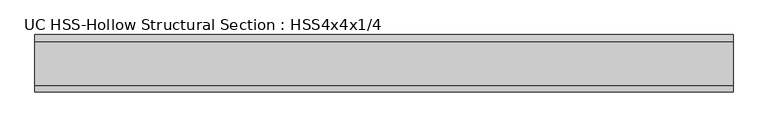
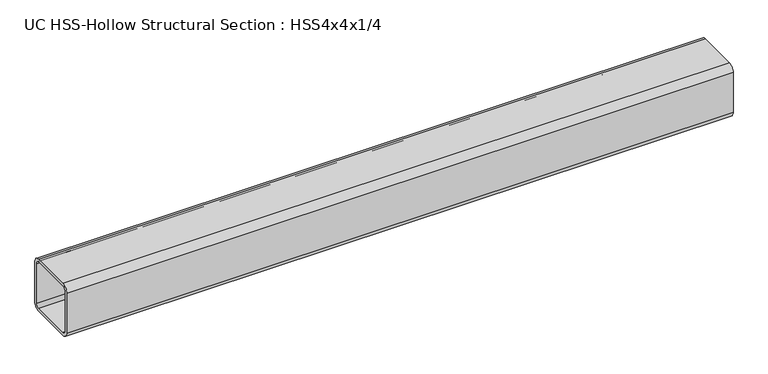
"""IFC4 building model written with IfcOpenShell, lengths in millimetres: beam geometry, UC HSS-Hollow Structural Section : HSS4x4x1/4."""

from ifc_helpers import new_model, si_unit, point, frame, frame_2d, origin, place, context, project, spatial, polyline, circle_curve, trimmed, segment, composite_curve, outline, extrude, source, transform, mapped, element, save


def uc_hss_hollow_structural_section_hss4x4x1_4_85058e2c(model_context):
    return source(origin(), model_context, "Body", "SweptSolid", [
        extrude(outline(composite_curve([segment(polyline([(50.8, 38.9636), (50.8, -38.9636)]), True, "CONTINUOUS"), segment(trimmed(circle_curve(frame_2d((38.9636, -38.9636)), 11.8364), [point((50.8, -38.9636))], [point((38.9636, -50.8))], False, "CARTESIAN"), True, "CONTINUOUS"), segment(polyline([(38.9636, -50.8), (-38.9636, -50.8)]), True, "CONTINUOUS"), segment(trimmed(circle_curve(frame_2d((-38.9636, -38.9636)), 11.8364), [point((-38.9636, -50.8))], [point((-50.8, -38.9636))], False, "CARTESIAN"), True, "CONTINUOUS"), segment(polyline([(-50.8, -38.9636), (-50.8, 38.9636)]), True, "CONTINUOUS"), segment(trimmed(circle_curve(frame_2d((-38.9636, 38.9636)), 11.8364), [point((-50.8, 38.9636))], [point((-38.9636, 50.8))], False, "CARTESIAN"), True, "CONTINUOUS"), segment(polyline([(-38.9636, 50.8), (38.9636, 50.8)]), True, "CONTINUOUS"), segment(trimmed(circle_curve(frame_2d((38.9636, 38.9636)), 11.8364), [point((38.9636, 50.8))], [point((50.8, 38.9636))], False, "CARTESIAN"), True, "CONTINUOUS")], self_intersect=False), holes=[composite_curve([segment(trimmed(circle_curve(frame_2d((-38.9636, 38.9636)), 5.9182), [point((-38.9636, 44.8818))], [point((-44.8818, 38.9636))], True, "CARTESIAN"), True, "CONTINUOUS"), segment(polyline([(-44.8818, 38.9636), (-44.8818, -38.9636)]), True, "CONTINUOUS"), segment(trimmed(circle_curve(frame_2d((-38.9636, -38.9636)), 5.9182), [point((-44.8818, -38.9636))], [point((-38.9636, -44.8818))], True, "CARTESIAN"), True, "CONTINUOUS"), segment(polyline([(-38.9636, -44.8818), (38.9636, -44.8818)]), True, "CONTINUOUS"), segment(trimmed(circle_curve(frame_2d((38.9636, -38.9636)), 5.9182), [point((38.9636, -44.8818))], [point((44.8818, -38.9636))], True, "CARTESIAN"), True, "CONTINUOUS"), segment(polyline([(44.8818, -38.9636), (44.8818, 38.9636)]), True, "CONTINUOUS"), segment(trimmed(circle_curve(frame_2d((38.9636, 38.9636)), 5.9182), [point((44.8818, 38.9636))], [point((38.9636, 44.8818))], True, "CARTESIAN"), True, "CONTINUOUS"), segment(polyline([(38.9636, 44.8818), (-38.9636, 44.8818)]), True, "CONTINUOUS")], self_intersect=False)]), frame((-533.7698161, 0.0, 0.0), z_axis=(1.0, 0.0, 0.0), x_axis=(0.0, 1.0, 0.0)), (0.0, 0.0, 1.0), 1232.5072724),
    ])


if __name__ == "__main__":
    model = new_model("IFC4")
    model_context = context("Model", 3, world=origin())
    ifc_project = project(units=[si_unit("LENGTHUNIT", "METRE", prefix="MILLI")], contexts=[model_context])
    site = spatial("IfcSite", under=ifc_project)
    building = spatial("IfcBuilding", under=site)
    placement = place(None, origin())
    uc_hss_hollow_structural_section_hss4x4x1_4_shape = uc_hss_hollow_structural_section_hss4x4x1_4_85058e2c(model_context)
    element("IfcBeam", 1, ObjectType="UC HSS-Hollow Structural Section : HSS4x4x1/4", at=placement, inside=building, context=model_context, shape_type="MappedRepresentation", body=[
        mapped(uc_hss_hollow_structural_section_hss4x4x1_4_shape, transform((0.0, 0.0, 0.0), x_axis=(1.0, 0.0, 0.0), y_axis=(0.0, 1.0, 0.0), z_axis=(0.0, 0.0, 1.0))),
    ])
    save(model, "model.ifc")
